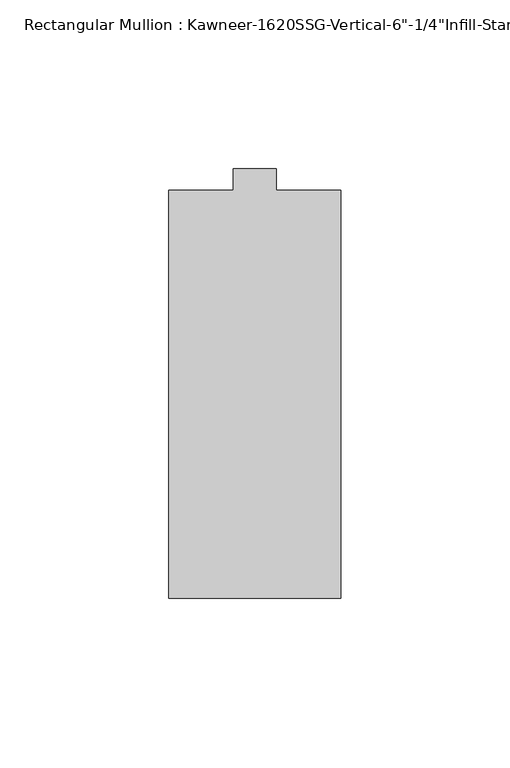
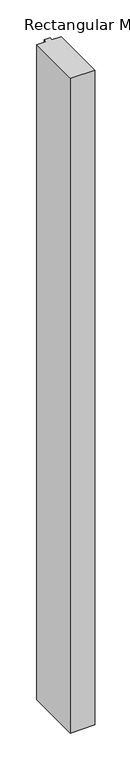
"""IFC4 building model written with IfcOpenShell, lengths in millimetres: member geometry."""

from ifc_helpers import new_model, si_unit, frame, origin, place, context, project, spatial, polyline, outline, extrude, source, transform, mapped, element, save


def member_87da2e34(model_context):
    return source(origin(), model_context, "Body", "SweptSolid", [
        extrude(outline(polyline([(25.4, -123.825), (-25.4, -123.825), (-25.4, -3.175), (-6.35, -3.175), (-6.35, 3.175), (6.35, 3.175), (6.35, -3.175), (25.4, -3.175), (25.4, -123.825)])), frame((0.0, 0.0, -1435.1), z_axis=(0.0, 0.0, 1.0), x_axis=(1.0, 0.0, 0.0)), (0.0, 0.0, 1.0), 1435.1),
    ])


if __name__ == "__main__":
    model = new_model("IFC4")
    model_context = context("Model", 3, world=origin())
    ifc_project = project(units=[si_unit("LENGTHUNIT", "METRE", prefix="MILLI")], contexts=[model_context])
    site = spatial("IfcSite", under=ifc_project)
    building = spatial("IfcBuilding", under=site)
    placement = place(None, origin())
    member_shape = member_87da2e34(model_context)
    element("IfcMember", 1, ObjectType="Rectangular Mullion : Kawneer-1620SSG-Vertical-6\"-1/4\"Infill-Standard", at=placement, inside=building, context=model_context, shape_type="MappedRepresentation", body=[
        mapped(member_shape, transform((0.0, 0.0, 0.0), x_axis=(1.0, 0.0, 0.0), y_axis=(0.0, 1.0, 0.0), z_axis=(0.0, 0.0, 1.0))),
    ])
    save(model, "model.ifc")
